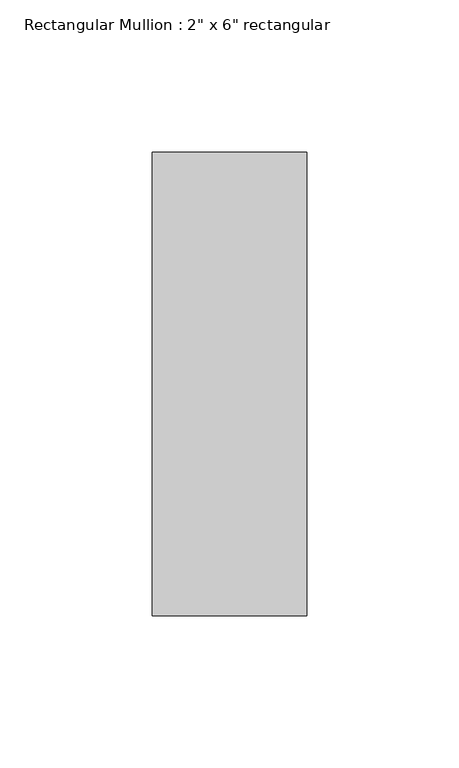
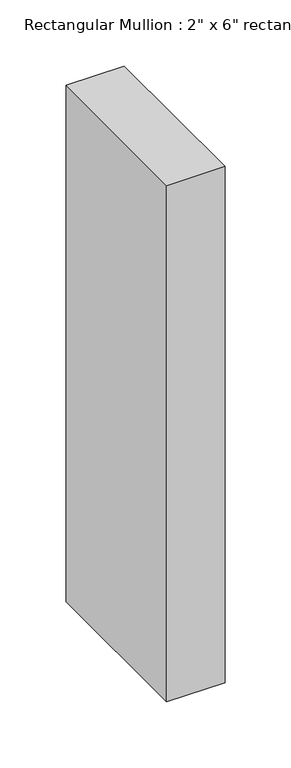
"""IFC4 building model written with IfcOpenShell, lengths in millimetres: member geometry."""

from ifc_helpers import new_model, si_unit, frame, origin, place, context, project, spatial, polyline, outline, extrude, source, transform, mapped, element, save


def member_9bc30598(model_context):
    return source(origin(), model_context, "Body", "SweptSolid", [
        extrude(outline(polyline([(0.0, 76.2), (0.0, -76.2), (-50.8, -76.2), (-50.8, 76.2), (0.0, 76.2)])), frame((0.0, 0.0, -476.25), z_axis=(0.0, 0.0, 1.0), x_axis=(1.0, 0.0, 0.0)), (0.0, 0.0, 1.0), 476.25),
    ])


if __name__ == "__main__":
    model = new_model("IFC4")
    model_context = context("Model", 3, world=origin())
    ifc_project = project(units=[si_unit("LENGTHUNIT", "METRE", prefix="MILLI")], contexts=[model_context])
    site = spatial("IfcSite", under=ifc_project)
    building = spatial("IfcBuilding", under=site)
    placement = place(None, origin())
    member_shape = member_9bc30598(model_context)
    element("IfcMember", 1, ObjectType="Rectangular Mullion : 2\" x 6\" rectangular", at=placement, inside=building, context=model_context, shape_type="MappedRepresentation", body=[
        mapped(member_shape, transform((0.0, 0.0, 0.0), x_axis=(1.0, 0.0, 0.0), y_axis=(0.0, 1.0, 0.0), z_axis=(0.0, 0.0, 1.0))),
    ])
    save(model, "model.ifc")
